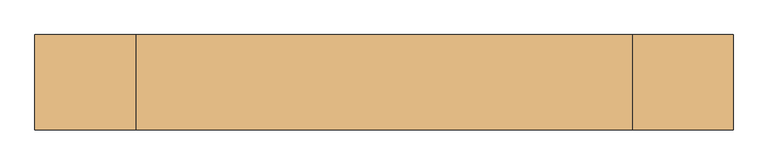
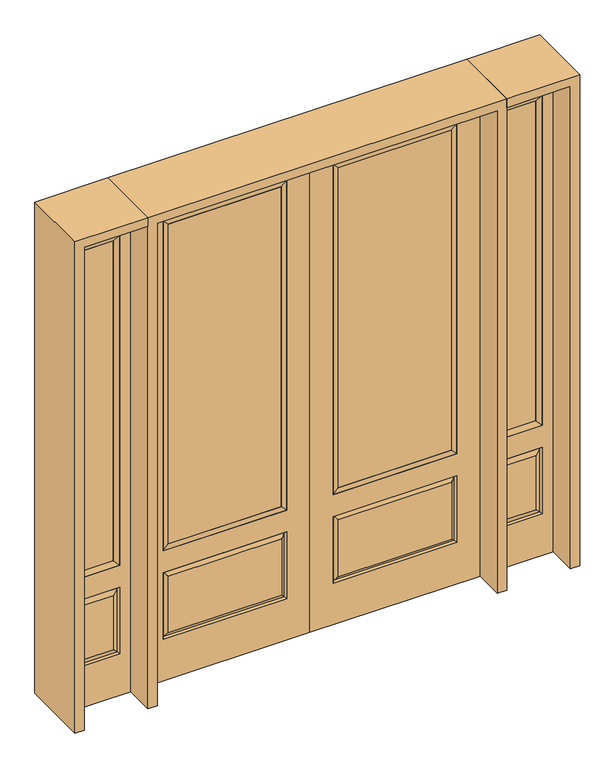
"""IFC4 building model written with IfcOpenShell, lengths in millimetres: door geometry."""

from ifc_helpers import new_model, si_unit, frame, origin, place, context, project, spatial, polyline, outline, extrude, faceted_brep, source, transform, mapped, element, save


def door_836b93d3(model_context):
    return source(origin(), model_context, "Body", "SolidModel", [
        extrude(outline(polyline([(136.525, -20.32), (136.525, 5.08), (676.275, 5.08), (676.275, -20.32), (136.525, -20.32)])), frame((0.0, 0.0, 682.498), z_axis=(0.0, 0.0, 1.0), x_axis=(1.0, 0.0, 0.0)), (0.0, 0.0, 1.0), 1616.202),
        faceted_brep([(694.5661499, -12.7912373, 216.6588501), (677.06875, -22.225, 234.15625), (135.73125, -22.225, 234.15625), (118.2338501, -12.7912373, 216.6588501), (111.125, -22.225, 209.55), (701.675, -22.225, 209.55), (701.675, -22.225, 546.1), (694.5661499, -12.7912373, 538.9911499), (0.0, -22.225, 2438.4), (0.0, -22.225, 0.0), (812.8, -22.225, 0.0), (812.8, -22.225, 2438.4), (111.125, -22.225, 546.1), (111.125, -22.225, 2324.1), (701.675, -22.225, 2324.1), (701.675, -22.225, 657.098), (111.125, -22.225, 657.098), (677.06875, -22.225, 521.49375), (135.73125, -22.225, 521.49375), (118.2338501, -12.7912373, 538.9911499), (812.8, 22.225, 0.0), (812.8, 22.225, 2438.4), (0.0, 22.225, 0.0), (0.0, 22.225, 2438.4), (111.125, 22.225, 657.098), (111.125, 22.225, 2324.1), (701.675, 22.225, 657.098), (701.675, 22.225, 2324.1), (135.73125, 22.225, 234.15625), (135.73125, 22.225, 521.49375), (677.06875, 22.225, 521.49375), (677.06875, 22.225, 234.15625), (701.675, 22.225, 209.55), (701.675, 22.225, 546.1), (111.125, 22.225, 546.1), (111.125, 22.225, 209.55), (118.2338501, 12.7912373, 216.6588501), (694.5661499, 12.7912373, 216.6588501), (118.2338501, 12.7912373, 538.9911499), (694.5661499, 12.7912373, 538.9911499)], [[[0, 1, 2, 3]], [[3, 4, 5, 0]], [[5, 6, 7, 0]], [[8, 9, 10, 11], [4, 12, 6, 5], [13, 14, 15, 16]], [[1, 17, 18, 2]], [[3, 19, 12, 4]], [[2, 18, 19, 3]], [[0, 7, 17, 1]], [[6, 12, 19, 7]], [[7, 19, 18, 17]], [[10, 20, 21, 11]], [[9, 22, 20, 10]], [[8, 23, 22, 9]], [[16, 24, 25, 13]], [[15, 26, 24, 16]], [[14, 27, 26, 15]], [[28, 29, 30, 31]], [[23, 21, 20, 22], [25, 24, 26, 27], [32, 33, 34, 35]], [[32, 35, 36, 37]], [[35, 34, 38, 36]], [[39, 38, 34, 33]], [[37, 39, 33, 32]], [[36, 28, 31, 37]], [[31, 30, 39, 37]], [[30, 29, 38, 39]], [[36, 38, 29, 28]], [[11, 21, 23, 8]], [[13, 25, 27, 14]]]),
        faceted_brep([(701.675, -22.225, 2324.1), (701.675, -22.225, 657.098), (701.675, 22.225, 657.098), (701.675, 22.225, 2324.1), (111.125, -22.225, 657.098), (111.125, 22.225, 657.098), (136.525, 5.08, 682.498), (676.275, 5.08, 682.498), (111.125, -22.225, 2324.1), (111.125, 22.225, 2324.1), (676.275, -20.32, 682.498), (136.525, -20.32, 682.498), (676.275, -20.32, 2298.7), (136.525, -20.32, 2298.7), (676.275, 5.08, 2298.7), (136.525, 5.08, 2298.7)], [[[0, 1, 2, 3]], [[1, 4, 5, 2]], [[2, 5, 6, 7]], [[4, 8, 9, 5]], [[10, 11, 4, 1]], [[12, 10, 1, 0]], [[11, 13, 8, 4]], [[7, 6, 11, 10]], [[14, 7, 10, 12]], [[6, 15, 13, 11]], [[3, 2, 7, 14]], [[5, 9, 15, 6]], [[8, 0, 3, 9]], [[13, 12, 0, 8]], [[15, 14, 12, 13]], [[9, 3, 14, 15]]]),
        faceted_brep([(857.25, -22.225, 0.0), (1162.05, -22.225, 0.0), (1162.05, -22.225, 2438.4), (857.25, -22.225, 2438.4), (1109.98, -22.225, 2325.624), (1109.98, -22.225, 657.098), (909.32, -22.225, 657.098), (909.32, -22.225, 2325.624), (1109.98, -22.225, 209.55), (909.32, -22.225, 209.55), (909.32, -22.225, 546.1), (1109.98, -22.225, 546.1), (941.0351001, -22.225, 241.2651001), (1078.2648999, -22.225, 241.2651001), (1078.2648999, -22.225, 514.3848999), (941.0351001, -22.225, 514.3848999), (857.25, 22.225, 0.0), (857.25, 22.225, 2438.4), (1162.05, 22.225, 2438.4), (1162.05, 22.225, 0.0), (1109.98, 22.225, 2325.624), (909.32, 22.225, 2325.624), (909.32, 22.225, 657.098), (1109.98, 22.225, 657.098), (909.32, 22.225, 209.55), (1109.98, 22.225, 209.55), (1109.98, 22.225, 546.1), (909.32, 22.225, 546.1), (1078.2648999, 22.225, 241.2651001), (941.0351001, 22.225, 241.2651001), (941.0351001, 22.225, 514.3848999), (1078.2648999, 22.225, 514.3848999), (1102.8711499, 12.7912373, 216.6588501), (916.4288501, 12.7912373, 216.6588501), (916.4288501, 12.7912373, 538.9911499), (1102.8711499, 12.7912373, 538.9911499), (916.4288501, -12.7912373, 216.6588501), (1102.8711499, -12.7912373, 216.6588501), (916.4288501, -12.7912373, 538.9911499), (1102.8711499, -12.7912373, 538.9911499)], [[[0, 1, 2, 3], [4, 5, 6, 7], [8, 9, 10, 11]], [[12, 13, 14, 15]], [[16, 17, 18, 19], [20, 21, 22, 23], [24, 25, 26, 27]], [[28, 29, 30, 31]], [[1, 0, 16, 19]], [[2, 1, 19, 18]], [[3, 2, 18, 17]], [[0, 3, 17, 16]], [[5, 4, 20, 23]], [[6, 5, 23, 22]], [[7, 6, 22, 21]], [[4, 7, 21, 20]], [[32, 33, 29, 28]], [[33, 32, 25, 24]], [[29, 33, 34, 30]], [[33, 24, 27, 34]], [[30, 34, 35, 31]], [[34, 27, 26, 35]], [[32, 28, 31, 35]], [[25, 32, 35, 26]], [[12, 36, 37, 13]], [[37, 36, 9, 8]], [[36, 12, 15, 38]], [[9, 36, 38, 10]], [[38, 15, 14, 39]], [[10, 38, 39, 11]], [[13, 37, 39, 14]], [[37, 8, 11, 39]]]),
        faceted_brep([(909.32, 22.225, 2325.624), (909.32, -22.225, 2325.624), (1109.98, -22.225, 2325.624), (1109.98, 22.225, 2325.624), (934.72, 12.7, 2300.224), (1084.58, 12.7, 2300.224), (934.72, -12.7, 2300.224), (1084.58, -12.7, 2300.224), (1109.98, -22.225, 657.098), (1109.98, 22.225, 657.098), (1084.58, 12.7, 682.498), (1084.58, -12.7, 682.498), (909.32, -22.225, 657.098), (909.32, 22.225, 657.098), (934.72, 12.7, 682.498), (934.72, -12.7, 682.498)], [[[0, 1, 2, 3]], [[4, 0, 3, 5]], [[6, 4, 5, 7]], [[1, 6, 7, 2]], [[3, 2, 8, 9]], [[5, 3, 9, 10]], [[7, 5, 10, 11]], [[2, 7, 11, 8]], [[9, 8, 12, 13]], [[10, 9, 13, 14]], [[11, 10, 14, 15]], [[8, 11, 15, 12]], [[13, 12, 1, 0]], [[14, 13, 0, 4]], [[15, 14, 4, 6]], [[12, 15, 6, 1]]]),
        extrude(outline(polyline([(1084.58, -12.7), (934.72, -12.7), (934.72, 12.7), (1084.58, 12.7), (1084.58, -12.7)])), frame((0.0, 0.0, 682.498), z_axis=(0.0, 0.0, 1.0), x_axis=(1.0, 0.0, 0.0)), (0.0, 0.0, 1.0), 1617.726),
        faceted_brep([(-1162.05, -22.225, 0.0), (-857.25, -22.225, 0.0), (-857.25, -22.225, 2438.4), (-1162.05, -22.225, 2438.4), (-909.32, -22.225, 2325.624), (-909.32, -22.225, 657.098), (-1109.98, -22.225, 657.098), (-1109.98, -22.225, 2325.624), (-909.32, -22.225, 209.55), (-1109.98, -22.225, 209.55), (-1109.98, -22.225, 546.1), (-909.32, -22.225, 546.1), (-1078.2648999, -22.225, 241.2651001), (-941.0351001, -22.225, 241.2651001), (-941.0351001, -22.225, 514.3848999), (-1078.2648999, -22.225, 514.3848999), (-1162.05, 22.225, 0.0), (-1162.05, 22.225, 2438.4), (-857.25, 22.225, 2438.4), (-857.25, 22.225, 0.0), (-909.32, 22.225, 2325.624), (-1109.98, 22.225, 2325.624), (-1109.98, 22.225, 657.098), (-909.32, 22.225, 657.098), (-1109.98, 22.225, 209.55), (-909.32, 22.225, 209.55), (-909.32, 22.225, 546.1), (-1109.98, 22.225, 546.1), (-941.0351001, 22.225, 241.2651001), (-1078.2648999, 22.225, 241.2651001), (-1078.2648999, 22.225, 514.3848999), (-941.0351001, 22.225, 514.3848999), (-916.4288501, 12.7912373, 216.6588501), (-1102.8711499, 12.7912373, 216.6588501), (-1102.8711499, 12.7912373, 538.9911499), (-916.4288501, 12.7912373, 538.9911499), (-1102.8711499, -12.7912373, 216.6588501), (-916.4288501, -12.7912373, 216.6588501), (-1102.8711499, -12.7912373, 538.9911499), (-916.4288501, -12.7912373, 538.9911499)], [[[0, 1, 2, 3], [4, 5, 6, 7], [8, 9, 10, 11]], [[12, 13, 14, 15]], [[16, 17, 18, 19], [20, 21, 22, 23], [24, 25, 26, 27]], [[28, 29, 30, 31]], [[1, 0, 16, 19]], [[2, 1, 19, 18]], [[3, 2, 18, 17]], [[0, 3, 17, 16]], [[5, 4, 20, 23]], [[6, 5, 23, 22]], [[7, 6, 22, 21]], [[4, 7, 21, 20]], [[32, 33, 29, 28]], [[33, 32, 25, 24]], [[29, 33, 34, 30]], [[33, 24, 27, 34]], [[30, 34, 35, 31]], [[34, 27, 26, 35]], [[32, 28, 31, 35]], [[25, 32, 35, 26]], [[12, 36, 37, 13]], [[37, 36, 9, 8]], [[36, 12, 15, 38]], [[9, 36, 38, 10]], [[38, 15, 14, 39]], [[10, 38, 39, 11]], [[13, 37, 39, 14]], [[37, 8, 11, 39]]]),
        faceted_brep([(-1109.98, 22.225, 2325.624), (-1109.98, -22.225, 2325.624), (-909.32, -22.225, 2325.624), (-909.32, 22.225, 2325.624), (-1084.58, 12.7, 2300.224), (-934.72, 12.7, 2300.224), (-1084.58, -12.7, 2300.224), (-934.72, -12.7, 2300.224), (-909.32, -22.225, 657.098), (-909.32, 22.225, 657.098), (-934.72, 12.7, 682.498), (-934.72, -12.7, 682.498), (-1109.98, -22.225, 657.098), (-1109.98, 22.225, 657.098), (-1084.58, 12.7, 682.498), (-1084.58, -12.7, 682.498)], [[[0, 1, 2, 3]], [[4, 0, 3, 5]], [[6, 4, 5, 7]], [[1, 6, 7, 2]], [[3, 2, 8, 9]], [[5, 3, 9, 10]], [[7, 5, 10, 11]], [[2, 7, 11, 8]], [[9, 8, 12, 13]], [[10, 9, 13, 14]], [[11, 10, 14, 15]], [[8, 11, 15, 12]], [[13, 12, 1, 0]], [[14, 13, 0, 4]], [[15, 14, 4, 6]], [[12, 15, 6, 1]]]),
        extrude(outline(polyline([(-934.72, -12.7), (-1084.58, -12.7), (-1084.58, 12.7), (-934.72, 12.7), (-934.72, -12.7)])), frame((0.0, 0.0, 682.498), z_axis=(0.0, 0.0, 1.0), x_axis=(1.0, 0.0, 0.0)), (0.0, 0.0, 1.0), 1617.726),
        extrude(outline(polyline([(-136.525, -20.32), (-676.275, -20.32), (-676.275, 5.08), (-136.525, 5.08), (-136.525, -20.32)])), frame((0.0, 0.0, 682.498), z_axis=(0.0, 0.0, 1.0), x_axis=(1.0, 0.0, 0.0)), (0.0, 0.0, 1.0), 1616.202),
        faceted_brep([(-694.5661499, -12.7912373, 216.6588501), (-118.2338501, -12.7912373, 216.6588501), (-135.73125, -22.225, 234.15625), (-677.06875, -22.225, 234.15625), (-701.675, -22.225, 209.55), (-111.125, -22.225, 209.55), (-694.5661499, -12.7912373, 538.9911499), (-701.675, -22.225, 546.1), (-135.73125, -22.225, 521.49375), (-677.06875, -22.225, 521.49375), (0.0, -22.225, 2438.4), (-812.8, -22.225, 2438.4), (-812.8, -22.225, 0.0), (0.0, -22.225, 0.0), (-111.125, -22.225, 546.1), (-111.125, -22.225, 2324.1), (-111.125, -22.225, 657.098), (-701.675, -22.225, 657.098), (-701.675, -22.225, 2324.1), (-118.2338501, -12.7912373, 538.9911499), (-812.8, 22.225, 2438.4), (-812.8, 22.225, 0.0), (0.0, 22.225, 0.0), (0.0, 22.225, 2438.4), (-111.125, 22.225, 2324.1), (-111.125, 22.225, 657.098), (-701.675, 22.225, 657.098), (-701.675, 22.225, 2324.1), (-701.675, 22.225, 209.55), (-111.125, 22.225, 209.55), (-111.125, 22.225, 546.1), (-701.675, 22.225, 546.1), (-135.73125, 22.225, 234.15625), (-677.06875, 22.225, 234.15625), (-677.06875, 22.225, 521.49375), (-135.73125, 22.225, 521.49375), (-694.5661499, 12.7912373, 216.6588501), (-118.2338501, 12.7912373, 216.6588501), (-118.2338501, 12.7912373, 538.9911499), (-694.5661499, 12.7912373, 538.9911499)], [[[0, 1, 2, 3]], [[1, 0, 4, 5]], [[4, 0, 6, 7]], [[3, 2, 8, 9]], [[10, 11, 12, 13], [5, 4, 7, 14], [15, 16, 17, 18]], [[1, 5, 14, 19]], [[2, 1, 19, 8]], [[0, 3, 9, 6]], [[7, 6, 19, 14]], [[6, 9, 8, 19]], [[12, 11, 20, 21]], [[13, 12, 21, 22]], [[10, 13, 22, 23]], [[16, 15, 24, 25]], [[17, 16, 25, 26]], [[18, 17, 26, 27]], [[23, 22, 21, 20], [28, 29, 30, 31], [24, 27, 26, 25]], [[32, 33, 34, 35]], [[28, 36, 37, 29]], [[29, 37, 38, 30]], [[39, 31, 30, 38]], [[36, 28, 31, 39]], [[37, 36, 33, 32]], [[33, 36, 39, 34]], [[34, 39, 38, 35]], [[37, 32, 35, 38]], [[11, 10, 23, 20]], [[15, 18, 27, 24]]]),
        faceted_brep([(-701.675, -22.225, 2324.1), (-701.675, 22.225, 2324.1), (-701.675, 22.225, 657.098), (-701.675, -22.225, 657.098), (-111.125, 22.225, 657.098), (-111.125, -22.225, 657.098), (-676.275, 5.08, 682.498), (-136.525, 5.08, 682.498), (-111.125, 22.225, 2324.1), (-111.125, -22.225, 2324.1), (-676.275, -20.32, 682.498), (-136.525, -20.32, 682.498), (-676.275, -20.32, 2298.7), (-136.525, -20.32, 2298.7), (-676.275, 5.08, 2298.7), (-136.525, 5.08, 2298.7)], [[[0, 1, 2, 3]], [[3, 2, 4, 5]], [[2, 6, 7, 4]], [[5, 4, 8, 9]], [[10, 3, 5, 11]], [[12, 0, 3, 10]], [[11, 5, 9, 13]], [[6, 10, 11, 7]], [[14, 12, 10, 6]], [[7, 11, 13, 15]], [[1, 14, 6, 2]], [[4, 7, 15, 8]], [[9, 8, 1, 0]], [[13, 9, 0, 12]], [[15, 13, 12, 14]], [[8, 15, 14, 1]]]),
        extrude(outline(polyline([(2438.4, -857.25), (2482.85, -857.25), (2482.85, -1206.5), (0.0, -1206.5), (0.0, -1162.05), (2438.4, -1162.05), (2438.4, -857.25)])), frame((0.0, -165.1, 0.0), z_axis=(0.0, 1.0, 0.0), x_axis=(0.0, 0.0, 1.0)), (0.0, 0.0, 1.0), 330.2),
        extrude(outline(polyline([(2482.85, -857.25), (0.0, -857.25), (0.0, -812.8), (2438.4, -812.8), (2438.4, 812.8), (0.0, 812.8), (0.0, 857.25), (2482.85, 857.25), (2482.85, -857.25)])), frame((0.0, -165.1, 0.0), z_axis=(0.0, 1.0, 0.0), x_axis=(0.0, 0.0, 1.0)), (0.0, 0.0, 1.0), 330.2),
        extrude(outline(polyline([(0.0, 1162.05), (0.0, 1206.5), (2482.85, 1206.5), (2482.85, 857.25), (2438.4, 857.25), (2438.4, 1162.05), (0.0, 1162.05)])), frame((0.0, -165.1, 0.0), z_axis=(0.0, 1.0, 0.0), x_axis=(0.0, 0.0, 1.0)), (0.0, 0.0, 1.0), 330.2),
    ])


if __name__ == "__main__":
    model = new_model("IFC4")
    model_context = context("Model", 3, world=origin())
    ifc_project = project(units=[si_unit("LENGTHUNIT", "METRE", prefix="MILLI")], contexts=[model_context])
    site = spatial("IfcSite", under=ifc_project)
    building = spatial("IfcBuilding", under=site)
    placement = place(None, origin())
    door_shape = door_836b93d3(model_context)
    element("IfcDoor", 1, at=placement, inside=building, context=model_context, shape_type="MappedRepresentation", body=[
        mapped(door_shape, transform((0.0, 0.0, 0.0), x_axis=(1.0, 0.0, 0.0), y_axis=(0.0, 1.0, 0.0), z_axis=(0.0, 0.0, 1.0))),
    ])
    save(model, "model.ifc")
